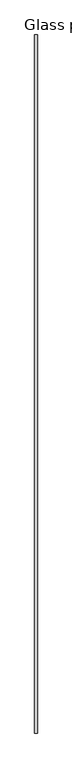
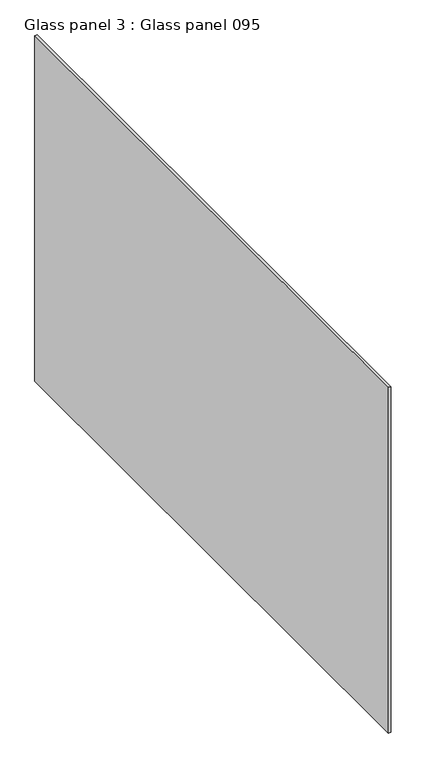
"""IFC4 building model written with IfcOpenShell, lengths in millimetres: proxy geometry, Glass panel 3 : Glass panel 095."""

from ifc_helpers import new_model, si_unit, frame, origin, place, context, project, spatial, polyline, outline, extrude, source, transform, mapped, element, save


def glass_panel_3_glass_panel_095_d2411aa6(model_context):
    return source(origin(), model_context, "Body", "SweptSolid", [
        extrude(outline(polyline([(37592.9902244, -20663.3894301), (37587.2498242, -20663.3894301), (37587.2498242, -19129.8390301), (37592.9902244, -19129.8390301), (37592.9902244, -20663.3894301)])), frame((0.0, 0.0, 910.5119968), z_axis=(0.0, 0.0, 1.0), x_axis=(1.0, 0.0, 0.0)), (0.0, 0.0, 1.0), 914.4),
    ])


if __name__ == "__main__":
    model = new_model("IFC4")
    model_context = context("Model", 3, world=origin())
    ifc_project = project(units=[si_unit("LENGTHUNIT", "METRE", prefix="MILLI")], contexts=[model_context])
    site = spatial("IfcSite", under=ifc_project)
    building = spatial("IfcBuilding", under=site)
    placement = place(None, origin())
    glass_panel_3_glass_panel_095_shape = glass_panel_3_glass_panel_095_d2411aa6(model_context)
    element("IfcBuildingElementProxy", 1, Name="Glass panel 3 : Glass panel 095", ObjectType="Glass panel 3 : Glass panel 095", at=placement, inside=building, context=model_context, shape_type="MappedRepresentation", body=[
        mapped(glass_panel_3_glass_panel_095_shape, transform((0.0, 0.0, 0.0), x_axis=(1.0, 0.0, 0.0), y_axis=(0.0, 1.0, 0.0), z_axis=(0.0, 0.0, 1.0))),
    ])
    save(model, "model.ifc")
